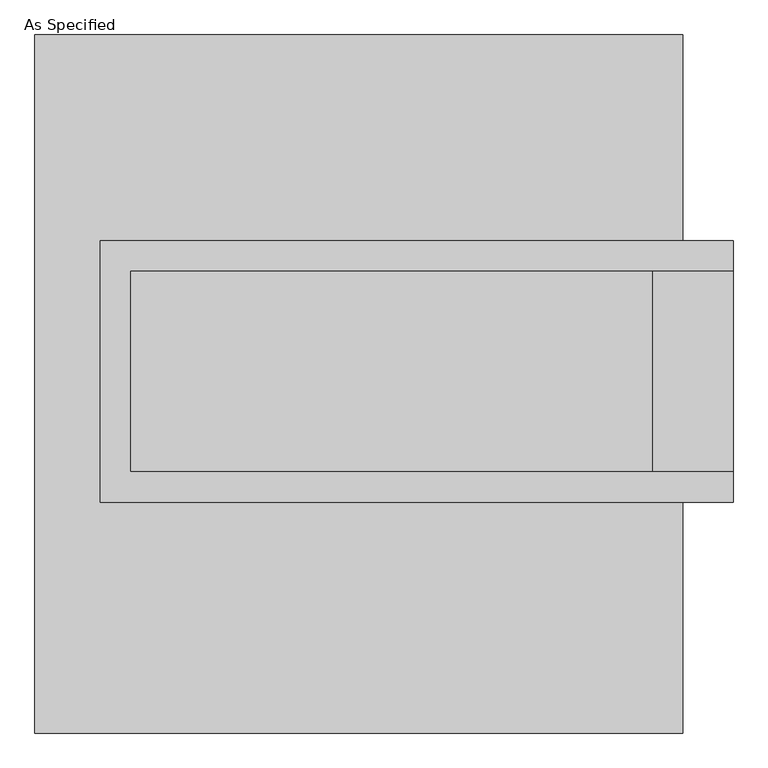
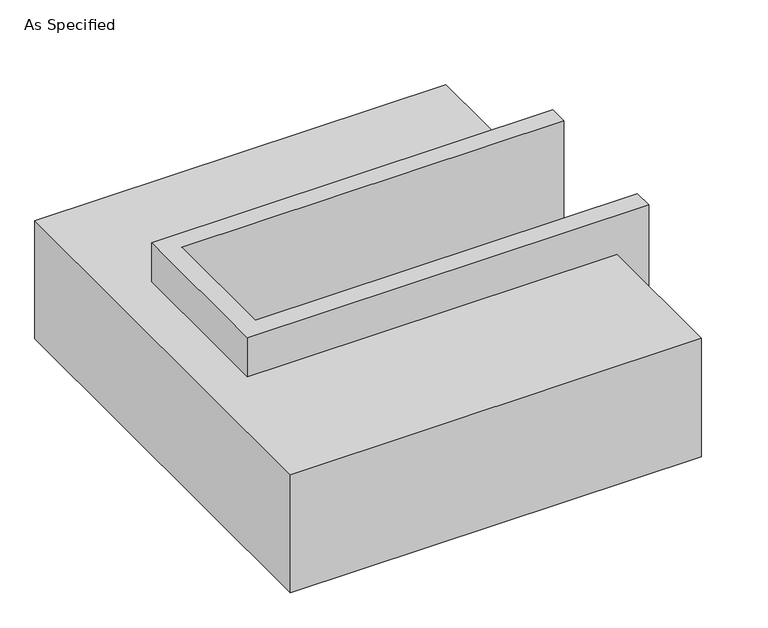
"""IFC4 building model written with IfcOpenShell, lengths in millimetres: proxy geometry, As Specified."""

from ifc_helpers import new_model, si_unit, origin, place, context, project, spatial, faceted_brep, source, transform, mapped, element, save


def as_specified_4f80f33a(model_context):
    return source(origin(), model_context, "Body", "Brep", [
        faceted_brep([(-654.05, 361.95, 139.7), (-654.05, 361.95, -393.7), (-654.05, 285.75, -393.7), (-654.05, 285.75, -25.4), (-654.05, -222.25, -25.4), (-654.05, -222.25, -393.7), (-654.05, -298.45, -393.7), (-654.05, -298.45, 139.7), (946.15, 285.75, 139.7), (946.15, 285.75, -317.5), (946.15, -222.25, -317.5), (946.15, -222.25, 139.7), (946.15, -298.45, 139.7), (946.15, -298.45, -393.7), (946.15, 361.95, -393.7), (946.15, 361.95, 139.7), (-577.85, -222.25, 139.7), (-577.85, 285.75, 139.7), (742.95, -222.25, -393.7), (742.95, 285.75, -393.7), (742.95, -222.25, -317.5), (-577.85, -222.25, -25.4), (742.95, 285.75, -317.5), (-577.85, 285.75, -25.4)], [[[0, 1, 2, 3, 4, 5, 6, 7]], [[8, 9, 10, 11, 12, 13, 14, 15]], [[0, 7, 12, 11, 16, 17, 8, 15]], [[1, 0, 15, 14]], [[14, 13, 6, 5, 18, 19, 2, 1]], [[7, 6, 13, 12]], [[11, 10, 20, 18, 5, 4, 21, 16]], [[10, 9, 22, 20]], [[9, 8, 17, 23, 3, 2, 19, 22]], [[18, 20, 22, 19]], [[23, 21, 4, 3]], [[17, 16, 21, 23]]]),
        faceted_brep([(-819.15, 882.65, -523.9742188), (819.15, 882.65, -523.9742188), (819.15, -882.65, -523.9742188), (-819.15, -882.65, -523.9742188), (819.15, 882.65, -25.4), (-819.15, 882.65, -25.4), (-819.15, -882.65, -25.4), (819.15, -882.65, -25.4), (819.15, -298.45, -25.4), (-654.05, -298.45, -25.4), (-654.05, 361.95, -25.4), (819.15, 361.95, -25.4), (819.15, 361.95, -393.7), (819.15, -298.45, -393.7), (-654.05, -298.45, -393.7), (-654.05, 361.95, -393.7)], [[[0, 1, 2, 3]], [[4, 5, 6, 7, 8, 9, 10, 11]], [[1, 0, 5, 4]], [[5, 0, 3, 6]], [[1, 4, 11, 12, 13, 8, 7, 2]], [[3, 2, 7, 6]], [[14, 15, 10, 9]], [[10, 15, 12, 11]], [[15, 14, 13, 12]], [[14, 9, 8, 13]]]),
    ])


if __name__ == "__main__":
    model = new_model("IFC4")
    model_context = context("Model", 3, world=origin())
    ifc_project = project(units=[si_unit("LENGTHUNIT", "METRE", prefix="MILLI")], contexts=[model_context])
    site = spatial("IfcSite", under=ifc_project)
    building = spatial("IfcBuilding", under=site)
    placement = place(None, origin())
    as_specified_shape = as_specified_4f80f33a(model_context)
    element("IfcBuildingElementProxy", 1, Name="As Specified", ObjectType="As Specified", at=placement, inside=building, context=model_context, shape_type="MappedRepresentation", body=[
        mapped(as_specified_shape, transform((0.0, 0.0, 0.0), x_axis=(1.0, 0.0, 0.0), y_axis=(0.0, 1.0, 0.0), z_axis=(0.0, 0.0, 1.0))),
    ])
    save(model, "model.ifc")
